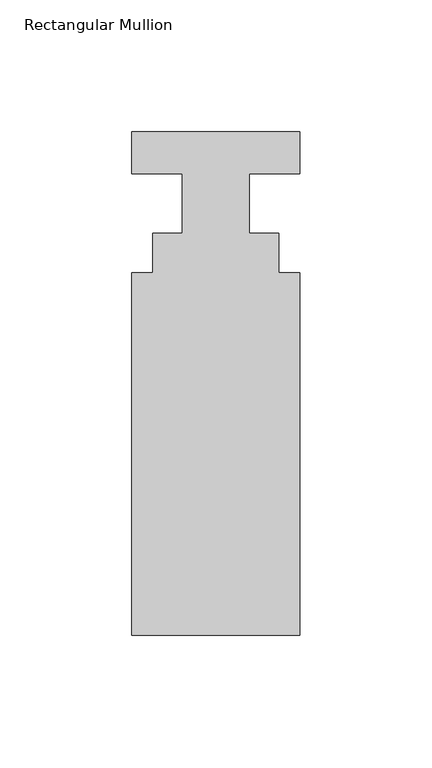
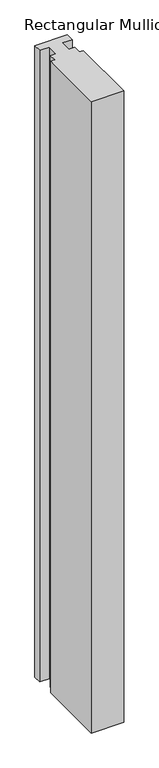
"""IFC4 building model written with IfcOpenShell, lengths in millimetres: member geometry, Rectangular Mullion."""

from ifc_helpers import new_model, si_unit, frame, origin, place, context, project, spatial, polyline, outline, extrude, source, transform, mapped, element, save


def rectangular_mullion_f1ef59b5(model_context):
    return source(origin(), model_context, "Body", "SweptSolid", [
        extrude(outline(polyline([(31.75, -190.4007813), (-31.75, -190.4007813), (-31.75, -53.0629812), (-23.8252, -53.0629812), (-23.8252, -38.0007812), (-12.7, -38.0007813), (-12.7, -15.5217813), (-31.75, -15.5217813), (-31.75, 0.3532187), (31.75, 0.3532187), (31.75, -15.5217813), (12.7, -15.5217813), (12.7, -38.0007812), (23.8252, -38.0007813), (23.8252, -53.0629813), (31.75, -53.0629813), (31.75, -190.4007813)])), frame((0.0, 0.0, -1305.6667299), z_axis=(0.0, 0.0, 1.0), x_axis=(1.0, 0.0, 0.0)), (0.0, 0.0, 1.0), 1305.6667299),
    ])


if __name__ == "__main__":
    model = new_model("IFC4")
    model_context = context("Model", 3, world=origin())
    ifc_project = project(units=[si_unit("LENGTHUNIT", "METRE", prefix="MILLI")], contexts=[model_context])
    site = spatial("IfcSite", under=ifc_project)
    building = spatial("IfcBuilding", under=site)
    placement = place(None, origin())
    rectangular_mullion_shape = rectangular_mullion_f1ef59b5(model_context)
    element("IfcMember", 1, ObjectType="Rectangular Mullion", at=placement, inside=building, context=model_context, shape_type="MappedRepresentation", body=[
        mapped(rectangular_mullion_shape, transform((0.0, 0.0, 0.0), x_axis=(1.0, 0.0, 0.0), y_axis=(0.0, 1.0, 0.0), z_axis=(0.0, 0.0, 1.0))),
    ])
    save(model, "model.ifc")
